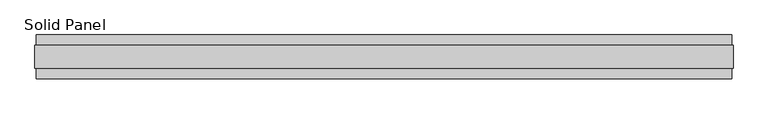
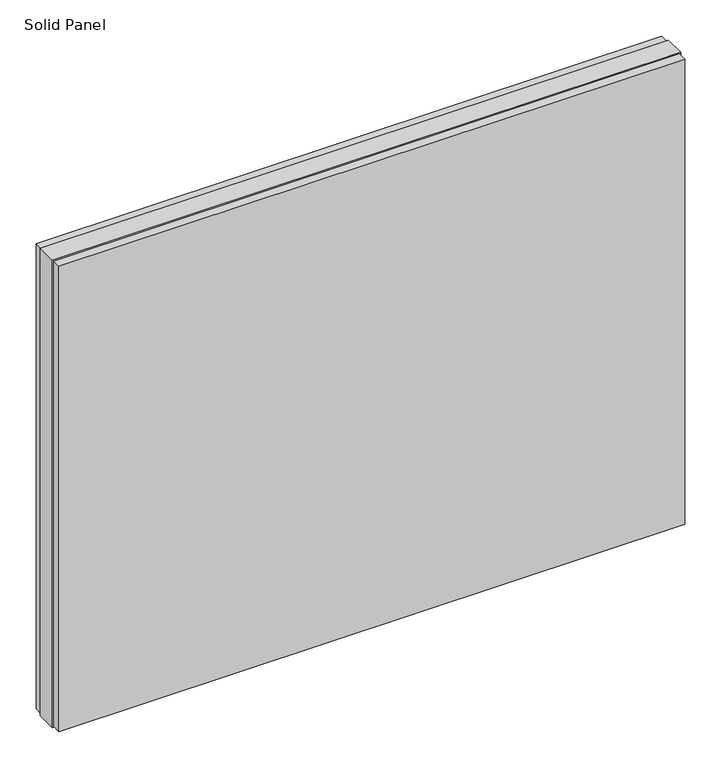
"""IFC4 building model written with IfcOpenShell, lengths in millimetres: plate geometry, Solid Panel."""

import ifcopenshell
import ifcopenshell.guid

model = None  # the IFC model being written
_history = None  # IfcOwnerHistory: only IFC2X3 demands one
_inside = {}  # id of a spatial element -> (the spatial element, [elements in it])
_under = {}  # id of a project, library or spatial element -> (it, [spatial elements below it])
_declared = {}  # id of a project -> (the project, [libraries it declares])
_typed = {}  # id of a type object -> (the type object, [elements of that type])
_made_of = {}  # id of a material, layer set ... -> (it, [elements and type objects made of it])


def new_model(schema):
    """Start an empty IFC model of exactly this schema.

    Asked for "IFC4X3", IfcOpenShell would pick the latest addendum, in which some entities
    have other attributes; the version numbers below select the first issue.
    IFC2X3 requires an IfcOwnerHistory on every rooted entity: one is made here for all.
    """
    global model, _history
    if schema == "IFC4X3":
        model = ifcopenshell.file(schema_version=(4, 3, 0, 0))
    else:
        model = ifcopenshell.file(schema=schema)
    _inside.clear()
    _under.clear()
    _declared.clear()
    _typed.clear()
    _made_of.clear()
    _history = None
    if model.schema == "IFC2X3":
        org = make("IfcOrganization", Name="unknown")
        user = make(
            "IfcPersonAndOrganization",
            ThePerson=make("IfcPerson", FamilyName="unknown"),
            TheOrganization=org,
        )
        app = make(
            "IfcApplication",
            ApplicationDeveloper=org,
            Version="unknown",
            ApplicationFullName="unknown",
            ApplicationIdentifier="unknown",
        )
        _history = make(
            "IfcOwnerHistory",
            OwningUser=user,
            OwningApplication=app,
            ChangeAction="ADDED",
            CreationDate=0,
        )
    return model


def make(cls, **values):
    """One entity of the class cls with the attributes given. An attribute that is None is left unset."""
    return model.create_entity(
        cls, **{name: value for name, value in values.items() if value is not None}
    )


def rooted(cls, **values):
    """An entity with a GlobalId (a new one), such as an element, a storey or a relation."""
    return make(cls, GlobalId=ifcopenshell.guid.new(), OwnerHistory=_history, **values)


def si_unit(unit_type, name, prefix=None):
    """IfcSIUnit, for example si_unit("LENGTHUNIT", "METRE", prefix="MILLI")."""
    return make("IfcSIUnit", UnitType=unit_type, Prefix=prefix, Name=name)


def assignment(units):
    """IfcUnitAssignment: the units of a project."""
    return None if units is None else make("IfcUnitAssignment", Units=units)


def point(xyz):
    """IfcCartesianPoint."""
    return None if xyz is None else make("IfcCartesianPoint", Coordinates=xyz)


def direction(xyz):
    """IfcDirection."""
    return None if xyz is None else make("IfcDirection", DirectionRatios=xyz)


def frame(location, z_axis=None, x_axis=None):
    """IfcAxis2Placement3D, a coordinate frame: its origin and axes. An axis left out is left unset."""
    return make(
        "IfcAxis2Placement3D",
        Location=point(location),
        Axis=direction(z_axis),
        RefDirection=direction(x_axis),
    )


def origin():
    """The frame at (0, 0, 0) with its axes left unset."""
    return frame((0.0, 0.0, 0.0))


def origin_with_axes():
    """The frame at (0, 0, 0) with the z axis (0, 0, 1) and the x axis (1, 0, 0) written out."""
    return frame((0.0, 0.0, 0.0), z_axis=(0.0, 0.0, 1.0), x_axis=(1.0, 0.0, 0.0))


def place(relative_to, where):
    """IfcLocalPlacement: puts the frame where relative to a parent placement (None: the world)."""
    return make(
        "IfcLocalPlacement", PlacementRelTo=relative_to, RelativePlacement=where
    )


def context(
    kind, dimensions, precision=None, world=None, true_north=None, identifier=None
):
    """IfcGeometricRepresentationContext, for example the 3D "Model" context."""
    return make(
        "IfcGeometricRepresentationContext",
        ContextIdentifier=identifier,
        ContextType=kind,
        CoordinateSpaceDimension=dimensions,
        Precision=precision,
        WorldCoordinateSystem=world,
        TrueNorth=true_north,
    )


def project(units=None, contexts=None):
    """IfcProject with its units and contexts."""
    return rooted(
        "IfcProject",
        Name="project",
        RepresentationContexts=contexts,
        UnitsInContext=assignment(units),
    )


def spatial(cls, under=None, at=None, **own):
    """A site, building, storey or space (cls), placed at a placement, below another one or the project."""
    s = rooted(cls, ObjectPlacement=at, **own)
    if under is not None:
        _under.setdefault(under.id(), (under, []))[1].append(s)
    return s


def polyline(points):
    """IfcPolyline through the points."""
    return make("IfcPolyline", Points=[point(p) for p in points])


def outline(outer, holes=None, kind="AREA"):
    """IfcArbitraryClosedProfileDef: a profile drawn as a closed curve; with holes, ...WithVoids."""
    if holes is None:
        return make("IfcArbitraryClosedProfileDef", ProfileType=kind, OuterCurve=outer)
    return make(
        "IfcArbitraryProfileDefWithVoids",
        ProfileType=kind,
        OuterCurve=outer,
        InnerCurves=holes,
    )


def extrude(swept, where, along, depth):
    """IfcExtrudedAreaSolid: the profile swept, set in the frame where, extruded along a direction by depth."""
    return make(
        "IfcExtrudedAreaSolid",
        SweptArea=swept,
        Position=where,
        ExtrudedDirection=direction(along),
        Depth=depth,
    )


def shape(context_of_items, identifier, shape_type, items):
    """IfcShapeRepresentation: the items that make up one representation, for example the "Body"."""
    return make(
        "IfcShapeRepresentation",
        ContextOfItems=context_of_items,
        RepresentationIdentifier=identifier,
        RepresentationType=shape_type,
        Items=items,
    )


def source(mapping_origin, context_of_items, identifier, shape_type, items):
    """IfcRepresentationMap: a shape defined once, which mapped items show again and again."""
    return make(
        "IfcRepresentationMap",
        MappingOrigin=mapping_origin,
        MappedRepresentation=shape(context_of_items, identifier, shape_type, items),
    )


def transform(
    local_origin,
    x_axis=None,
    y_axis=None,
    z_axis=None,
    scale=None,
    scale2=None,
    scale3=None,
    uniform=True,
):
    """IfcCartesianTransformationOperator3D, or its non-uniform kind. x_axis, y_axis, z_axis: its Axis1, 2, 3."""
    if uniform:
        return make(
            "IfcCartesianTransformationOperator3D",
            Axis1=direction(x_axis),
            Axis2=direction(y_axis),
            LocalOrigin=point(local_origin),
            Scale=scale,
            Axis3=direction(z_axis),
        )
    return make(
        "IfcCartesianTransformationOperator3DnonUniform",
        Axis1=direction(x_axis),
        Axis2=direction(y_axis),
        LocalOrigin=point(local_origin),
        Scale=scale,
        Axis3=direction(z_axis),
        Scale2=scale2,
        Scale3=scale3,
    )


def mapped(mapping_source, mapping_target):
    """IfcMappedItem: shows the shape of a source again, moved by a transform."""
    return make(
        "IfcMappedItem", MappingSource=mapping_source, MappingTarget=mapping_target
    )


def made_of(thing, what):
    """Note that an element or type object is made of a material, layer set ...; save() writes the relation."""
    if what is not None:
        _made_of.setdefault(what.id(), (what, []))[1].append(thing)
    return thing


def element(
    cls,
    number,
    at=None,
    inside=None,
    cuts=None,
    type_object=None,
    material=None,
    context=None,
    identifier="Body",
    shape_type=None,
    held_by="IfcProductDefinitionShape",
    body=None,
    shapes=None,
    **own,
):
    """One element of the class cls, such as IfcWall. Its Tag is "e" and its number.

    at: its placement. inside: the storey or other place that contains it. cuts: it is an
    opening in that element (IfcRelVoidsElement). A single representation is given by context,
    identifier, shape_type and body (its items); several are given by shapes. held_by: the class
    of the entity that holds the representations. save() writes the other relations.
    """
    e = rooted(cls, Tag="e%d" % number, ObjectPlacement=at, **own)
    if body is not None:
        shapes = [shape(context, identifier, shape_type, body)]
    if shapes is not None:
        e.Representation = make(held_by, Representations=shapes)
    if inside is not None:
        _inside.setdefault(inside.id(), (inside, []))[1].append(e)
    if cuts is not None:
        rooted(
            "IfcRelVoidsElement", RelatingBuildingElement=cuts, RelatedOpeningElement=e
        )
    if type_object is not None:
        _typed.setdefault(type_object.id(), (type_object, []))[1].append(e)
    return made_of(e, material)


def aggregate(whole, parts):
    """IfcRelAggregates: a whole, such as a stair, and the parts it consists of."""
    return rooted("IfcRelAggregates", RelatingObject=whole, RelatedObjects=parts)


def save(model, path):
    """Write the relations noted so far, then the file.

    IfcRelAggregates (storeys below a building ...), IfcRelContainedInSpatialStructure (elements
    in a storey), IfcRelDefinesByType, IfcRelAssociatesMaterial and IfcRelDeclares: one each for
    every whole, place, type object, material and project.
    """
    for whole, parts in _under.values():
        aggregate(whole, parts)
    for where, things in _inside.values():
        rooted(
            "IfcRelContainedInSpatialStructure",
            RelatedElements=things,
            RelatingStructure=where,
        )
    for kind, things in _typed.values():
        rooted("IfcRelDefinesByType", RelatedObjects=things, RelatingType=kind)
    for what, things in _made_of.values():
        rooted("IfcRelAssociatesMaterial", RelatedObjects=things, RelatingMaterial=what)
    for by, libraries in _declared.values():
        rooted("IfcRelDeclares", RelatingContext=by, RelatedDefinitions=libraries)
    model.write(path)


def solid_panel_4dce83b1(model_context):
    return source(origin(), model_context, "Body", "SweptSolid", [
        extrude(outline(polyline([(771.7028, -48.4531867), (-771.7028, -48.4531867), (-771.7028, -25.9961), (771.7028, -25.9961), (771.7028, -48.4531867)])), frame((0.0, 0.0, 3.0099), z_axis=(0.0, 0.0, 1.0), x_axis=(1.0, 0.0, 0.0)), (0.0, 0.0, 1.0), 1213.1802),
        extrude(outline(polyline([(771.7028, 25.9977), (-771.7028, 25.9977), (-771.7028, 48.4547867), (771.7028, 48.4547867), (771.7028, 25.9977)])), frame((0.0, 0.0, 3.0099), z_axis=(0.0, 0.0, 1.0), x_axis=(1.0, 0.0, 0.0)), (0.0, 0.0, 1.0), 1213.1802),
        extrude(outline(polyline([(774.7, -25.9961), (-774.7, -25.9961), (-774.7, 25.9977), (774.7, 25.9977), (774.7, -25.9961)])), origin_with_axes(), (0.0, 0.0, 1.0), 1219.2),
    ])


if __name__ == "__main__":
    model = new_model("IFC4")
    model_context = context("Model", 3, world=origin())
    ifc_project = project(units=[si_unit("LENGTHUNIT", "METRE", prefix="MILLI")], contexts=[model_context])
    site = spatial("IfcSite", under=ifc_project)
    building = spatial("IfcBuilding", under=site)
    placement = place(None, origin())
    solid_panel_shape = solid_panel_4dce83b1(model_context)
    element("IfcPlate", 1, ObjectType="Solid Panel", at=placement, inside=building, context=model_context, shape_type="MappedRepresentation", body=[
        mapped(solid_panel_shape, transform((0.0, 0.0, 0.0), x_axis=(1.0, 0.0, 0.0), y_axis=(0.0, 1.0, 0.0), z_axis=(0.0, 0.0, 1.0))),
    ])
    save(model, "model.ifc")
